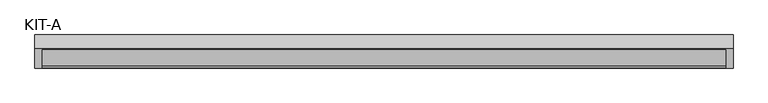
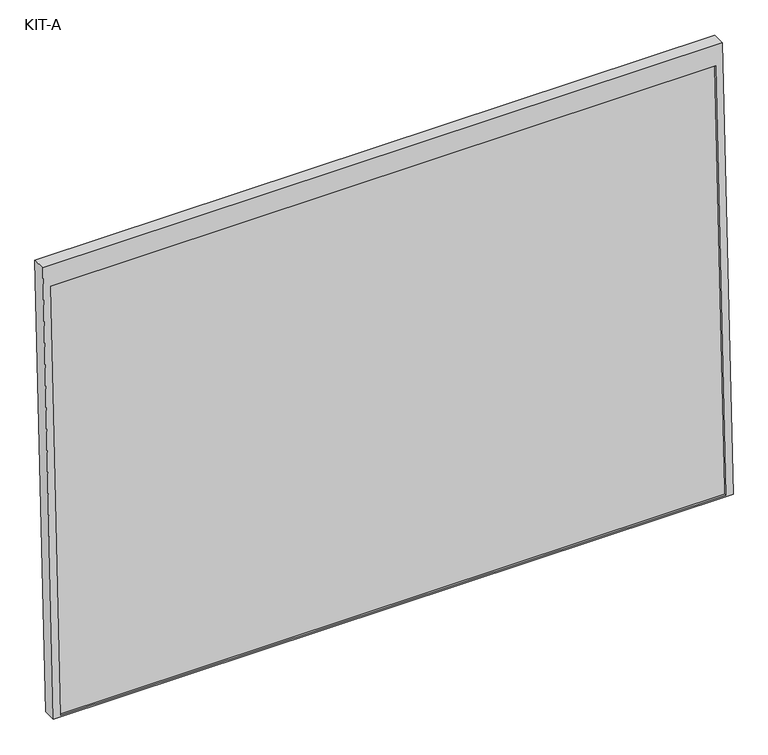
"""IFC4 building model written with IfcOpenShell, lengths in millimetres: plate geometry, KIT-A."""

from ifc_helpers import new_model, si_unit, frame, origin, place, context, project, spatial, polyline, outline, extrude, source, transform, mapped, element, save


def kit_a_95385c16(model_context):
    return source(origin(), model_context, "Body", "SweptSolid", [
        extrude(outline(polyline([(0.0, 0.0), (0.0, -1741.0), (-1195.0, -1741.0), (-1195.0, 0.0), (0.0, 0.0)]), holes=[polyline([(-55.0, -18.5), (-1191.0441175, -18.5), (-1191.0441175, -1722.5), (-55.0, -1722.5), (-55.0, -18.5)])]), frame((-870.5, 10.1476707, 1140.0133701), z_axis=(0.0, -0.9992101801000246, 0.039736834102334216), x_axis=(0.0, 0.039736834102334216, 0.9992101801000246)), (0.0, 0.0, 1.0), 35.0),
        extrude(outline(polyline([(0.0, -1704.0), (0.0, 0.0), (27.4505713, 0.0), (27.4505713, -1704.0), (0.0, -1704.0)])), frame((-852.0, -67.1569572, -48.8979321), z_axis=(0.0, 0.03973683410233642, 0.9992101801000245), x_axis=(0.0, 0.9992101801000245, -0.03973683410233642)), (0.0, 0.0, 1.0), 1136.0441176),
    ])


if __name__ == "__main__":
    model = new_model("IFC4")
    model_context = context("Model", 3, world=origin())
    ifc_project = project(units=[si_unit("LENGTHUNIT", "METRE", prefix="MILLI")], contexts=[model_context])
    site = spatial("IfcSite", under=ifc_project)
    building = spatial("IfcBuilding", under=site)
    placement = place(None, origin())
    kit_a_shape = kit_a_95385c16(model_context)
    element("IfcPlate", 1, ObjectType="KIT-A", at=placement, inside=building, context=model_context, shape_type="MappedRepresentation", body=[
        mapped(kit_a_shape, transform((0.0, 0.0, 0.0), x_axis=(1.0, 0.0, 0.0), y_axis=(0.0, 1.0, 0.0), z_axis=(0.0, 0.0, 1.0))),
    ])
    save(model, "model.ifc")
